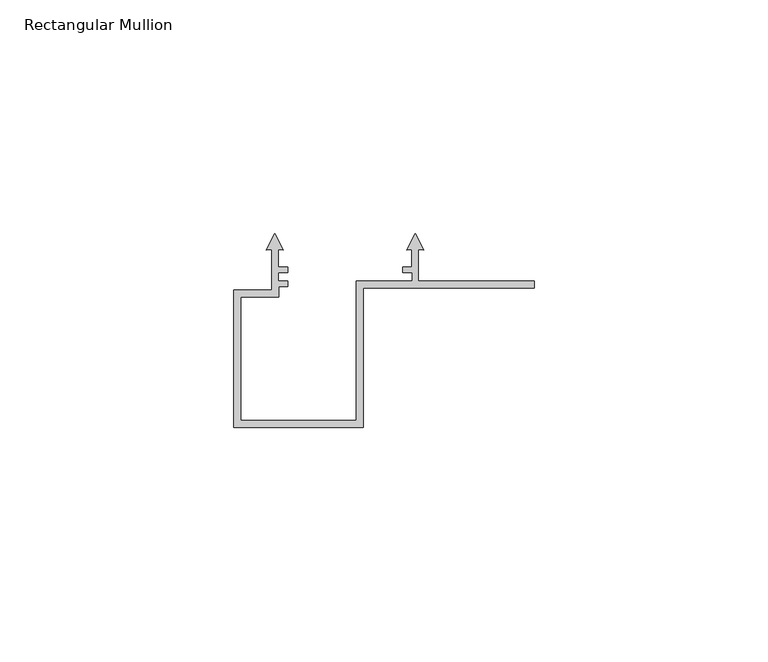
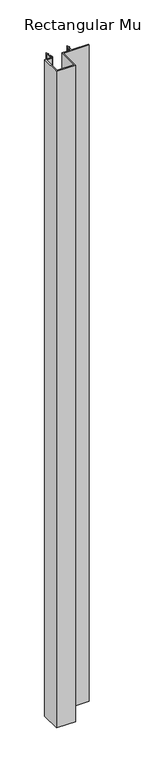
"""IFC4 building model written with IfcOpenShell, lengths in millimetres: member geometry, Rectangular Mullion."""

from ifc_helpers import new_model, si_unit, frame, origin, place, context, project, spatial, polyline, outline, extrude, source, transform, mapped, element, save


def rectangular_mullion_18bef4ab(model_context):
    return source(origin(), model_context, "Body", "SweptSolid", [
        extrude(outline(polyline([(27.7, -66.1), (0.0, -66.1), (0.0, -36.5995654), (8.1408193, -36.5995654), (8.1408193, -28.0038205), (7.0250829, -28.1014348), (8.8408194, -24.5378474), (10.656556, -28.1014348), (9.5408196, -28.0038206), (9.5408196, -31.698351), (11.5283827, -31.698351), (11.5283827, -32.9004386), (9.5500002, -32.9004386), (9.5500002, -34.6999954), (11.5288975, -34.6999954), (11.5288975, -35.9015214), (9.6502876, -35.9015214), (9.6502876, -38.0997951), (1.5, -38.0997951), (1.5, -64.5999997), (26.2, -64.5999997), (26.2, -34.6999997), (38.249999, -34.6999997), (38.249999, -32.9008281), (36.1577359, -32.9008281), (36.1577359, -31.6999997), (38.15, -31.6999997), (38.15, -28.0038204), (37.0342622, -28.1014348), (38.8499989, -24.5378474), (40.6657356, -28.1014348), (39.5500002, -28.0038207), (39.5500002, -34.7056679), (64.3500002, -34.7056679), (64.3500002, -36.2004291), (27.7, -36.2004291), (27.7, -66.1)])), frame((0.0, 0.0, -1000.0), z_axis=(0.0, 0.0, 1.0), x_axis=(1.0, 0.0, 0.0)), (0.0, 0.0, 1.0), 1000.0),
    ])


if __name__ == "__main__":
    model = new_model("IFC4")
    model_context = context("Model", 3, world=origin())
    ifc_project = project(units=[si_unit("LENGTHUNIT", "METRE", prefix="MILLI")], contexts=[model_context])
    site = spatial("IfcSite", under=ifc_project)
    building = spatial("IfcBuilding", under=site)
    placement = place(None, origin())
    rectangular_mullion_shape = rectangular_mullion_18bef4ab(model_context)
    element("IfcMember", 1, ObjectType="Rectangular Mullion", at=placement, inside=building, context=model_context, shape_type="MappedRepresentation", body=[
        mapped(rectangular_mullion_shape, transform((0.0, 0.0, 0.0), x_axis=(1.0, 0.0, 0.0), y_axis=(0.0, 1.0, 0.0), z_axis=(0.0, 0.0, 1.0))),
    ])
    save(model, "model.ifc")
